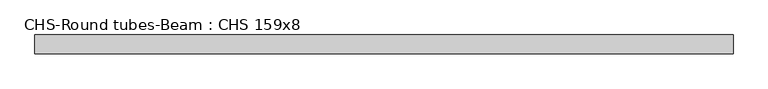
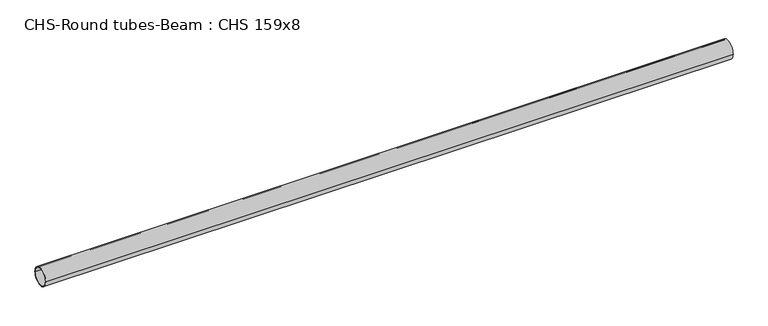
"""IFC4 building model written with IfcOpenShell, lengths in millimetres: beam geometry, CHS-Round tubes-Beam : CHS 159x8."""

import ifcopenshell
import ifcopenshell.guid

model = None  # the IFC model being written
_history = None  # IfcOwnerHistory: only IFC2X3 demands one
_inside = {}  # id of a spatial element -> (the spatial element, [elements in it])
_under = {}  # id of a project, library or spatial element -> (it, [spatial elements below it])
_declared = {}  # id of a project -> (the project, [libraries it declares])
_typed = {}  # id of a type object -> (the type object, [elements of that type])
_made_of = {}  # id of a material, layer set ... -> (it, [elements and type objects made of it])


def new_model(schema):
    """Start an empty IFC model of exactly this schema.

    Asked for "IFC4X3", IfcOpenShell would pick the latest addendum, in which some entities
    have other attributes; the version numbers below select the first issue.
    IFC2X3 requires an IfcOwnerHistory on every rooted entity: one is made here for all.
    """
    global model, _history
    if schema == "IFC4X3":
        model = ifcopenshell.file(schema_version=(4, 3, 0, 0))
    else:
        model = ifcopenshell.file(schema=schema)
    _inside.clear()
    _under.clear()
    _declared.clear()
    _typed.clear()
    _made_of.clear()
    _history = None
    if model.schema == "IFC2X3":
        org = make("IfcOrganization", Name="unknown")
        user = make(
            "IfcPersonAndOrganization",
            ThePerson=make("IfcPerson", FamilyName="unknown"),
            TheOrganization=org,
        )
        app = make(
            "IfcApplication",
            ApplicationDeveloper=org,
            Version="unknown",
            ApplicationFullName="unknown",
            ApplicationIdentifier="unknown",
        )
        _history = make(
            "IfcOwnerHistory",
            OwningUser=user,
            OwningApplication=app,
            ChangeAction="ADDED",
            CreationDate=0,
        )
    return model


def make(cls, **values):
    """One entity of the class cls with the attributes given. An attribute that is None is left unset."""
    return model.create_entity(
        cls, **{name: value for name, value in values.items() if value is not None}
    )


def rooted(cls, **values):
    """An entity with a GlobalId (a new one), such as an element, a storey or a relation."""
    return make(cls, GlobalId=ifcopenshell.guid.new(), OwnerHistory=_history, **values)


def si_unit(unit_type, name, prefix=None):
    """IfcSIUnit, for example si_unit("LENGTHUNIT", "METRE", prefix="MILLI")."""
    return make("IfcSIUnit", UnitType=unit_type, Prefix=prefix, Name=name)


def assignment(units):
    """IfcUnitAssignment: the units of a project."""
    return None if units is None else make("IfcUnitAssignment", Units=units)


def point(xyz):
    """IfcCartesianPoint."""
    return None if xyz is None else make("IfcCartesianPoint", Coordinates=xyz)


def direction(xyz):
    """IfcDirection."""
    return None if xyz is None else make("IfcDirection", DirectionRatios=xyz)


def frame(location, z_axis=None, x_axis=None):
    """IfcAxis2Placement3D, a coordinate frame: its origin and axes. An axis left out is left unset."""
    return make(
        "IfcAxis2Placement3D",
        Location=point(location),
        Axis=direction(z_axis),
        RefDirection=direction(x_axis),
    )


def frame_2d(location, x_axis=None):
    """IfcAxis2Placement2D, a coordinate frame in the plane: its origin and x axis."""
    return make(
        "IfcAxis2Placement2D", Location=point(location), RefDirection=direction(x_axis)
    )


def origin():
    """The frame at (0, 0, 0) with its axes left unset."""
    return frame((0.0, 0.0, 0.0))


def origin_2d():
    """The frame at (0, 0) in the plane with its x axis left unset."""
    return frame_2d((0.0, 0.0))


def place(relative_to, where):
    """IfcLocalPlacement: puts the frame where relative to a parent placement (None: the world)."""
    return make(
        "IfcLocalPlacement", PlacementRelTo=relative_to, RelativePlacement=where
    )


def context(
    kind, dimensions, precision=None, world=None, true_north=None, identifier=None
):
    """IfcGeometricRepresentationContext, for example the 3D "Model" context."""
    return make(
        "IfcGeometricRepresentationContext",
        ContextIdentifier=identifier,
        ContextType=kind,
        CoordinateSpaceDimension=dimensions,
        Precision=precision,
        WorldCoordinateSystem=world,
        TrueNorth=true_north,
    )


def project(units=None, contexts=None):
    """IfcProject with its units and contexts."""
    return rooted(
        "IfcProject",
        Name="project",
        RepresentationContexts=contexts,
        UnitsInContext=assignment(units),
    )


def spatial(cls, under=None, at=None, **own):
    """A site, building, storey or space (cls), placed at a placement, below another one or the project."""
    s = rooted(cls, ObjectPlacement=at, **own)
    if under is not None:
        _under.setdefault(under.id(), (under, []))[1].append(s)
    return s


def circle_curve(where, radius):
    """IfcCircle in the frame where."""
    return make("IfcCircle", Position=where, Radius=radius)


def trimmed(basis, trim1, trim2, sense, master):
    """IfcTrimmedCurve: the piece of a basis curve between two trims."""
    return make(
        "IfcTrimmedCurve",
        BasisCurve=basis,
        Trim1=trim1,
        Trim2=trim2,
        SenseAgreement=sense,
        MasterRepresentation=master,
    )


def segment(curve, same_sense, transition):
    """IfcCompositeCurveSegment."""
    return make(
        "IfcCompositeCurveSegment",
        Transition=transition,
        SameSense=same_sense,
        ParentCurve=curve,
    )


def composite_curve(segments, self_intersect=None):
    """IfcCompositeCurve: segments joined end to end."""
    return make("IfcCompositeCurve", Segments=segments, SelfIntersect=self_intersect)


def outline(outer, holes=None, kind="AREA"):
    """IfcArbitraryClosedProfileDef: a profile drawn as a closed curve; with holes, ...WithVoids."""
    if holes is None:
        return make("IfcArbitraryClosedProfileDef", ProfileType=kind, OuterCurve=outer)
    return make(
        "IfcArbitraryProfileDefWithVoids",
        ProfileType=kind,
        OuterCurve=outer,
        InnerCurves=holes,
    )


def extrude(swept, where, along, depth):
    """IfcExtrudedAreaSolid: the profile swept, set in the frame where, extruded along a direction by depth."""
    return make(
        "IfcExtrudedAreaSolid",
        SweptArea=swept,
        Position=where,
        ExtrudedDirection=direction(along),
        Depth=depth,
    )


def shape(context_of_items, identifier, shape_type, items):
    """IfcShapeRepresentation: the items that make up one representation, for example the "Body"."""
    return make(
        "IfcShapeRepresentation",
        ContextOfItems=context_of_items,
        RepresentationIdentifier=identifier,
        RepresentationType=shape_type,
        Items=items,
    )


def source(mapping_origin, context_of_items, identifier, shape_type, items):
    """IfcRepresentationMap: a shape defined once, which mapped items show again and again."""
    return make(
        "IfcRepresentationMap",
        MappingOrigin=mapping_origin,
        MappedRepresentation=shape(context_of_items, identifier, shape_type, items),
    )


def transform(
    local_origin,
    x_axis=None,
    y_axis=None,
    z_axis=None,
    scale=None,
    scale2=None,
    scale3=None,
    uniform=True,
):
    """IfcCartesianTransformationOperator3D, or its non-uniform kind. x_axis, y_axis, z_axis: its Axis1, 2, 3."""
    if uniform:
        return make(
            "IfcCartesianTransformationOperator3D",
            Axis1=direction(x_axis),
            Axis2=direction(y_axis),
            LocalOrigin=point(local_origin),
            Scale=scale,
            Axis3=direction(z_axis),
        )
    return make(
        "IfcCartesianTransformationOperator3DnonUniform",
        Axis1=direction(x_axis),
        Axis2=direction(y_axis),
        LocalOrigin=point(local_origin),
        Scale=scale,
        Axis3=direction(z_axis),
        Scale2=scale2,
        Scale3=scale3,
    )


def mapped(mapping_source, mapping_target):
    """IfcMappedItem: shows the shape of a source again, moved by a transform."""
    return make(
        "IfcMappedItem", MappingSource=mapping_source, MappingTarget=mapping_target
    )


def made_of(thing, what):
    """Note that an element or type object is made of a material, layer set ...; save() writes the relation."""
    if what is not None:
        _made_of.setdefault(what.id(), (what, []))[1].append(thing)
    return thing


def element(
    cls,
    number,
    at=None,
    inside=None,
    cuts=None,
    type_object=None,
    material=None,
    context=None,
    identifier="Body",
    shape_type=None,
    held_by="IfcProductDefinitionShape",
    body=None,
    shapes=None,
    **own,
):
    """One element of the class cls, such as IfcWall. Its Tag is "e" and its number.

    at: its placement. inside: the storey or other place that contains it. cuts: it is an
    opening in that element (IfcRelVoidsElement). A single representation is given by context,
    identifier, shape_type and body (its items); several are given by shapes. held_by: the class
    of the entity that holds the representations. save() writes the other relations.
    """
    e = rooted(cls, Tag="e%d" % number, ObjectPlacement=at, **own)
    if body is not None:
        shapes = [shape(context, identifier, shape_type, body)]
    if shapes is not None:
        e.Representation = make(held_by, Representations=shapes)
    if inside is not None:
        _inside.setdefault(inside.id(), (inside, []))[1].append(e)
    if cuts is not None:
        rooted(
            "IfcRelVoidsElement", RelatingBuildingElement=cuts, RelatedOpeningElement=e
        )
    if type_object is not None:
        _typed.setdefault(type_object.id(), (type_object, []))[1].append(e)
    return made_of(e, material)


def aggregate(whole, parts):
    """IfcRelAggregates: a whole, such as a stair, and the parts it consists of."""
    return rooted("IfcRelAggregates", RelatingObject=whole, RelatedObjects=parts)


def save(model, path):
    """Write the relations noted so far, then the file.

    IfcRelAggregates (storeys below a building ...), IfcRelContainedInSpatialStructure (elements
    in a storey), IfcRelDefinesByType, IfcRelAssociatesMaterial and IfcRelDeclares: one each for
    every whole, place, type object, material and project.
    """
    for whole, parts in _under.values():
        aggregate(whole, parts)
    for where, things in _inside.values():
        rooted(
            "IfcRelContainedInSpatialStructure",
            RelatedElements=things,
            RelatingStructure=where,
        )
    for kind, things in _typed.values():
        rooted("IfcRelDefinesByType", RelatedObjects=things, RelatingType=kind)
    for what, things in _made_of.values():
        rooted("IfcRelAssociatesMaterial", RelatedObjects=things, RelatingMaterial=what)
    for by, libraries in _declared.values():
        rooted("IfcRelDeclares", RelatingContext=by, RelatedDefinitions=libraries)
    model.write(path)


def chs_round_tubes_beam_chs_159x8_200ea08d(model_context):
    return source(origin(), model_context, "Body", "SweptSolid", [
        extrude(outline(composite_curve([segment(trimmed(circle_curve(origin_2d(), 79.5), [point((79.5, 0.0))], [point((-79.5, 0.0))], False, "CARTESIAN"), True, "CONTINUOUS"), segment(trimmed(circle_curve(origin_2d(), 79.5), [point((-79.5, 0.0))], [point((79.5, 0.0))], False, "CARTESIAN"), True, "CONTINUOUS")], self_intersect=False), holes=[composite_curve([segment(trimmed(circle_curve(origin_2d(), 71.5), [point((71.5, 0.0))], [point((-71.5, 0.0))], True, "CARTESIAN"), True, "CONTINUOUS"), segment(trimmed(circle_curve(origin_2d(), 71.5), [point((-71.5, 0.0))], [point((71.5, 0.0))], True, "CARTESIAN"), True, "CONTINUOUS")], self_intersect=False)]), frame((-2952.6347415, 0.0, 0.0), z_axis=(1.0, 0.0, 0.0), x_axis=(0.0, 1.0, 0.0)), (0.0, 0.0, 1.0), 5919.4717844),
    ])


if __name__ == "__main__":
    model = new_model("IFC4")
    model_context = context("Model", 3, world=origin())
    ifc_project = project(units=[si_unit("LENGTHUNIT", "METRE", prefix="MILLI")], contexts=[model_context])
    site = spatial("IfcSite", under=ifc_project)
    building = spatial("IfcBuilding", under=site)
    placement = place(None, origin())
    chs_round_tubes_beam_chs_159x8_shape = chs_round_tubes_beam_chs_159x8_200ea08d(model_context)
    element("IfcBeam", 1, ObjectType="CHS-Round tubes-Beam : CHS 159x8", at=placement, inside=building, context=model_context, shape_type="MappedRepresentation", body=[
        mapped(chs_round_tubes_beam_chs_159x8_shape, transform((0.0, 0.0, 0.0), x_axis=(1.0, 0.0, 0.0), y_axis=(0.0, 1.0, 0.0), z_axis=(0.0, 0.0, 1.0))),
    ])
    save(model, "model.ifc")
